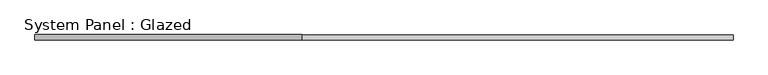
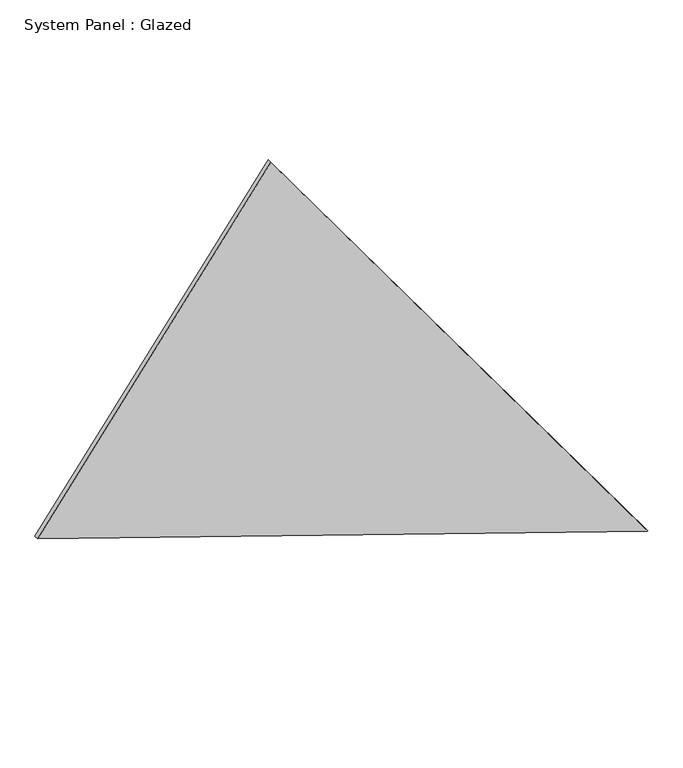
"""IFC4 building model written with IfcOpenShell, lengths in millimetres: plate geometry, System Panel : Glazed."""

import ifcopenshell
import ifcopenshell.guid

model = None  # the IFC model being written
_history = None  # IfcOwnerHistory: only IFC2X3 demands one
_inside = {}  # id of a spatial element -> (the spatial element, [elements in it])
_under = {}  # id of a project, library or spatial element -> (it, [spatial elements below it])
_declared = {}  # id of a project -> (the project, [libraries it declares])
_typed = {}  # id of a type object -> (the type object, [elements of that type])
_made_of = {}  # id of a material, layer set ... -> (it, [elements and type objects made of it])


def new_model(schema):
    """Start an empty IFC model of exactly this schema.

    Asked for "IFC4X3", IfcOpenShell would pick the latest addendum, in which some entities
    have other attributes; the version numbers below select the first issue.
    IFC2X3 requires an IfcOwnerHistory on every rooted entity: one is made here for all.
    """
    global model, _history
    if schema == "IFC4X3":
        model = ifcopenshell.file(schema_version=(4, 3, 0, 0))
    else:
        model = ifcopenshell.file(schema=schema)
    _inside.clear()
    _under.clear()
    _declared.clear()
    _typed.clear()
    _made_of.clear()
    _history = None
    if model.schema == "IFC2X3":
        org = make("IfcOrganization", Name="unknown")
        user = make(
            "IfcPersonAndOrganization",
            ThePerson=make("IfcPerson", FamilyName="unknown"),
            TheOrganization=org,
        )
        app = make(
            "IfcApplication",
            ApplicationDeveloper=org,
            Version="unknown",
            ApplicationFullName="unknown",
            ApplicationIdentifier="unknown",
        )
        _history = make(
            "IfcOwnerHistory",
            OwningUser=user,
            OwningApplication=app,
            ChangeAction="ADDED",
            CreationDate=0,
        )
    return model


def make(cls, **values):
    """One entity of the class cls with the attributes given. An attribute that is None is left unset."""
    return model.create_entity(
        cls, **{name: value for name, value in values.items() if value is not None}
    )


def rooted(cls, **values):
    """An entity with a GlobalId (a new one), such as an element, a storey or a relation."""
    return make(cls, GlobalId=ifcopenshell.guid.new(), OwnerHistory=_history, **values)


def si_unit(unit_type, name, prefix=None):
    """IfcSIUnit, for example si_unit("LENGTHUNIT", "METRE", prefix="MILLI")."""
    return make("IfcSIUnit", UnitType=unit_type, Prefix=prefix, Name=name)


def assignment(units):
    """IfcUnitAssignment: the units of a project."""
    return None if units is None else make("IfcUnitAssignment", Units=units)


def point(xyz):
    """IfcCartesianPoint."""
    return None if xyz is None else make("IfcCartesianPoint", Coordinates=xyz)


def direction(xyz):
    """IfcDirection."""
    return None if xyz is None else make("IfcDirection", DirectionRatios=xyz)


def frame(location, z_axis=None, x_axis=None):
    """IfcAxis2Placement3D, a coordinate frame: its origin and axes. An axis left out is left unset."""
    return make(
        "IfcAxis2Placement3D",
        Location=point(location),
        Axis=direction(z_axis),
        RefDirection=direction(x_axis),
    )


def origin():
    """The frame at (0, 0, 0) with its axes left unset."""
    return frame((0.0, 0.0, 0.0))


def place(relative_to, where):
    """IfcLocalPlacement: puts the frame where relative to a parent placement (None: the world)."""
    return make(
        "IfcLocalPlacement", PlacementRelTo=relative_to, RelativePlacement=where
    )


def context(
    kind, dimensions, precision=None, world=None, true_north=None, identifier=None
):
    """IfcGeometricRepresentationContext, for example the 3D "Model" context."""
    return make(
        "IfcGeometricRepresentationContext",
        ContextIdentifier=identifier,
        ContextType=kind,
        CoordinateSpaceDimension=dimensions,
        Precision=precision,
        WorldCoordinateSystem=world,
        TrueNorth=true_north,
    )


def project(units=None, contexts=None):
    """IfcProject with its units and contexts."""
    return rooted(
        "IfcProject",
        Name="project",
        RepresentationContexts=contexts,
        UnitsInContext=assignment(units),
    )


def spatial(cls, under=None, at=None, **own):
    """A site, building, storey or space (cls), placed at a placement, below another one or the project."""
    s = rooted(cls, ObjectPlacement=at, **own)
    if under is not None:
        _under.setdefault(under.id(), (under, []))[1].append(s)
    return s


def polyline(points):
    """IfcPolyline through the points."""
    return make("IfcPolyline", Points=[point(p) for p in points])


def outline(outer, holes=None, kind="AREA"):
    """IfcArbitraryClosedProfileDef: a profile drawn as a closed curve; with holes, ...WithVoids."""
    if holes is None:
        return make("IfcArbitraryClosedProfileDef", ProfileType=kind, OuterCurve=outer)
    return make(
        "IfcArbitraryProfileDefWithVoids",
        ProfileType=kind,
        OuterCurve=outer,
        InnerCurves=holes,
    )


def extrude(swept, where, along, depth):
    """IfcExtrudedAreaSolid: the profile swept, set in the frame where, extruded along a direction by depth."""
    return make(
        "IfcExtrudedAreaSolid",
        SweptArea=swept,
        Position=where,
        ExtrudedDirection=direction(along),
        Depth=depth,
    )


def shape(context_of_items, identifier, shape_type, items):
    """IfcShapeRepresentation: the items that make up one representation, for example the "Body"."""
    return make(
        "IfcShapeRepresentation",
        ContextOfItems=context_of_items,
        RepresentationIdentifier=identifier,
        RepresentationType=shape_type,
        Items=items,
    )


def source(mapping_origin, context_of_items, identifier, shape_type, items):
    """IfcRepresentationMap: a shape defined once, which mapped items show again and again."""
    return make(
        "IfcRepresentationMap",
        MappingOrigin=mapping_origin,
        MappedRepresentation=shape(context_of_items, identifier, shape_type, items),
    )


def transform(
    local_origin,
    x_axis=None,
    y_axis=None,
    z_axis=None,
    scale=None,
    scale2=None,
    scale3=None,
    uniform=True,
):
    """IfcCartesianTransformationOperator3D, or its non-uniform kind. x_axis, y_axis, z_axis: its Axis1, 2, 3."""
    if uniform:
        return make(
            "IfcCartesianTransformationOperator3D",
            Axis1=direction(x_axis),
            Axis2=direction(y_axis),
            LocalOrigin=point(local_origin),
            Scale=scale,
            Axis3=direction(z_axis),
        )
    return make(
        "IfcCartesianTransformationOperator3DnonUniform",
        Axis1=direction(x_axis),
        Axis2=direction(y_axis),
        LocalOrigin=point(local_origin),
        Scale=scale,
        Axis3=direction(z_axis),
        Scale2=scale2,
        Scale3=scale3,
    )


def mapped(mapping_source, mapping_target):
    """IfcMappedItem: shows the shape of a source again, moved by a transform."""
    return make(
        "IfcMappedItem", MappingSource=mapping_source, MappingTarget=mapping_target
    )


def made_of(thing, what):
    """Note that an element or type object is made of a material, layer set ...; save() writes the relation."""
    if what is not None:
        _made_of.setdefault(what.id(), (what, []))[1].append(thing)
    return thing


def element(
    cls,
    number,
    at=None,
    inside=None,
    cuts=None,
    type_object=None,
    material=None,
    context=None,
    identifier="Body",
    shape_type=None,
    held_by="IfcProductDefinitionShape",
    body=None,
    shapes=None,
    **own,
):
    """One element of the class cls, such as IfcWall. Its Tag is "e" and its number.

    at: its placement. inside: the storey or other place that contains it. cuts: it is an
    opening in that element (IfcRelVoidsElement). A single representation is given by context,
    identifier, shape_type and body (its items); several are given by shapes. held_by: the class
    of the entity that holds the representations. save() writes the other relations.
    """
    e = rooted(cls, Tag="e%d" % number, ObjectPlacement=at, **own)
    if body is not None:
        shapes = [shape(context, identifier, shape_type, body)]
    if shapes is not None:
        e.Representation = make(held_by, Representations=shapes)
    if inside is not None:
        _inside.setdefault(inside.id(), (inside, []))[1].append(e)
    if cuts is not None:
        rooted(
            "IfcRelVoidsElement", RelatingBuildingElement=cuts, RelatedOpeningElement=e
        )
    if type_object is not None:
        _typed.setdefault(type_object.id(), (type_object, []))[1].append(e)
    return made_of(e, material)


def aggregate(whole, parts):
    """IfcRelAggregates: a whole, such as a stair, and the parts it consists of."""
    return rooted("IfcRelAggregates", RelatingObject=whole, RelatedObjects=parts)


def save(model, path):
    """Write the relations noted so far, then the file.

    IfcRelAggregates (storeys below a building ...), IfcRelContainedInSpatialStructure (elements
    in a storey), IfcRelDefinesByType, IfcRelAssociatesMaterial and IfcRelDeclares: one each for
    every whole, place, type object, material and project.
    """
    for whole, parts in _under.values():
        aggregate(whole, parts)
    for where, things in _inside.values():
        rooted(
            "IfcRelContainedInSpatialStructure",
            RelatedElements=things,
            RelatingStructure=where,
        )
    for kind, things in _typed.values():
        rooted("IfcRelDefinesByType", RelatedObjects=things, RelatingType=kind)
    for what, things in _made_of.values():
        rooted("IfcRelAssociatesMaterial", RelatedObjects=things, RelatingMaterial=what)
    for by, libraries in _declared.values():
        rooted("IfcRelDeclares", RelatingContext=by, RelatedDefinitions=libraries)
    model.write(path)


def system_panel_glazed_50f2bb30(model_context):
    return source(origin(), model_context, "Body", "SweptSolid", [
        extrude(outline(polyline([(0.0, 1629.2185588), (1.2639589, 1630.1495259), (2788.5872162, -384.2710421), (1097.0783263, -1630.1495259), (0.0, 1629.2185588)])), frame((0.0, -49.5, 0.0), z_axis=(0.0, 1.0, 0.0), x_axis=(0.0, 0.0, 1.0)), (0.0, 0.0, 1.0), 25.0),
    ])


if __name__ == "__main__":
    model = new_model("IFC4")
    model_context = context("Model", 3, world=origin())
    ifc_project = project(units=[si_unit("LENGTHUNIT", "METRE", prefix="MILLI")], contexts=[model_context])
    site = spatial("IfcSite", under=ifc_project)
    building = spatial("IfcBuilding", under=site)
    placement = place(None, origin())
    system_panel_glazed_shape = system_panel_glazed_50f2bb30(model_context)
    element("IfcPlate", 1, ObjectType="System Panel : Glazed", at=placement, inside=building, context=model_context, shape_type="MappedRepresentation", body=[
        mapped(system_panel_glazed_shape, transform((0.0, 0.0, 0.0), x_axis=(1.0, 0.0, 0.0), y_axis=(0.0, 1.0, 0.0), z_axis=(0.0, 0.0, 1.0))),
    ])
    save(model, "model.ifc")
